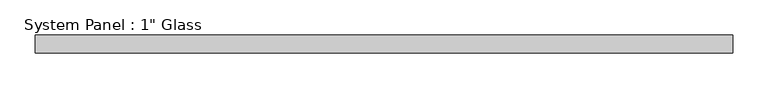
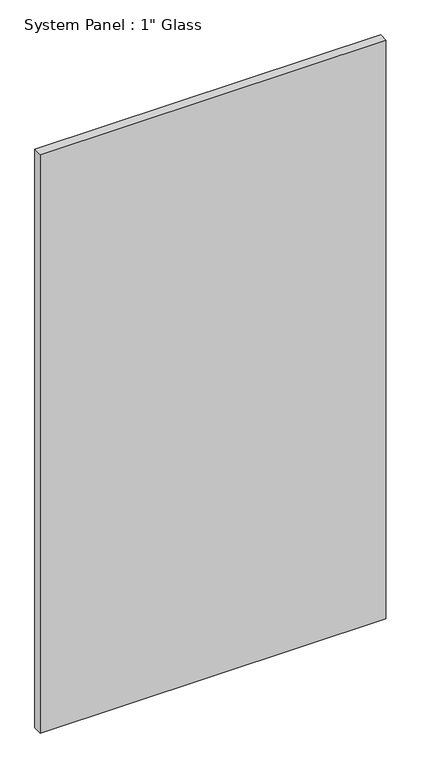
"""IFC4 building model written with IfcOpenShell, lengths in millimetres: plate geometry."""

from ifc_helpers import new_model, si_unit, origin, origin_with_axes, place, context, project, spatial, polyline, outline, extrude, source, transform, mapped, element, save


def plate_a2ed40a2(model_context):
    return source(origin(), model_context, "Body", "SweptSolid", [
        extrude(outline(polyline([(491.9509746, -12.7), (-491.9509746, -12.7), (-491.9509746, 12.7), (491.9509746, 12.7), (491.9509746, -12.7)])), origin_with_axes(), (0.0, 0.0, 1.0), 1739.9),
    ])


if __name__ == "__main__":
    model = new_model("IFC4")
    model_context = context("Model", 3, world=origin())
    ifc_project = project(units=[si_unit("LENGTHUNIT", "METRE", prefix="MILLI")], contexts=[model_context])
    site = spatial("IfcSite", under=ifc_project)
    building = spatial("IfcBuilding", under=site)
    placement = place(None, origin())
    plate_shape = plate_a2ed40a2(model_context)
    element("IfcPlate", 1, ObjectType="System Panel : 1\" Glass", at=placement, inside=building, context=model_context, shape_type="MappedRepresentation", body=[
        mapped(plate_shape, transform((0.0, 0.0, 0.0), x_axis=(1.0, 0.0, 0.0), y_axis=(0.0, 1.0, 0.0), z_axis=(0.0, 0.0, 1.0))),
    ])
    save(model, "model.ifc")
